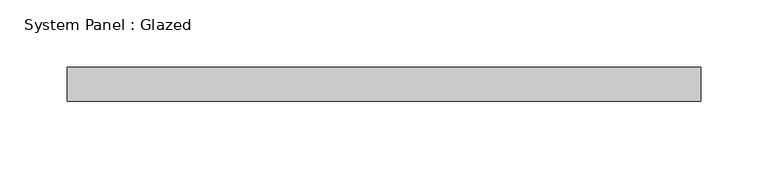
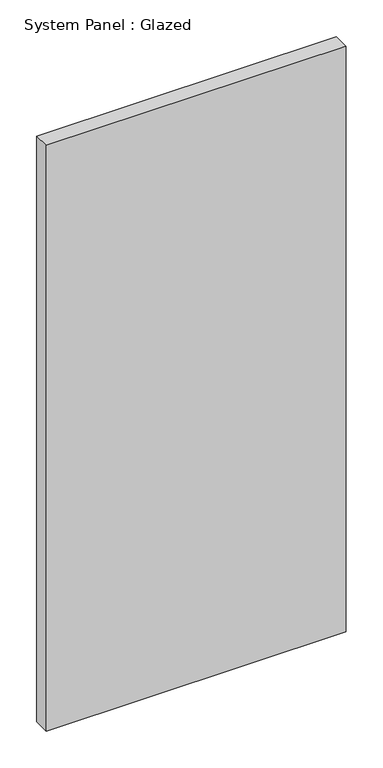
"""IFC4 building model written with IfcOpenShell, lengths in millimetres: plate geometry, System Panel : Glazed."""

from ifc_helpers import new_model, si_unit, origin, origin_with_axes, place, context, project, spatial, polyline, outline, extrude, source, transform, mapped, element, save


def system_panel_glazed_3be8eed8(model_context):
    return source(origin(), model_context, "Body", "SweptSolid", [
        extrude(outline(polyline([(235.418934, 19.05), (-235.418934, 19.05), (-235.418934, 44.45), (235.418934, 44.45), (235.418934, 19.05)])), origin_with_axes(), (0.0, 0.0, 1.0), 971.55),
    ])


if __name__ == "__main__":
    model = new_model("IFC4")
    model_context = context("Model", 3, world=origin())
    ifc_project = project(units=[si_unit("LENGTHUNIT", "METRE", prefix="MILLI")], contexts=[model_context])
    site = spatial("IfcSite", under=ifc_project)
    building = spatial("IfcBuilding", under=site)
    placement = place(None, origin())
    system_panel_glazed_shape = system_panel_glazed_3be8eed8(model_context)
    element("IfcPlate", 1, ObjectType="System Panel : Glazed", at=placement, inside=building, context=model_context, shape_type="MappedRepresentation", body=[
        mapped(system_panel_glazed_shape, transform((0.0, 0.0, 0.0), x_axis=(1.0, 0.0, 0.0), y_axis=(0.0, 1.0, 0.0), z_axis=(0.0, 0.0, 1.0))),
    ])
    save(model, "model.ifc")
